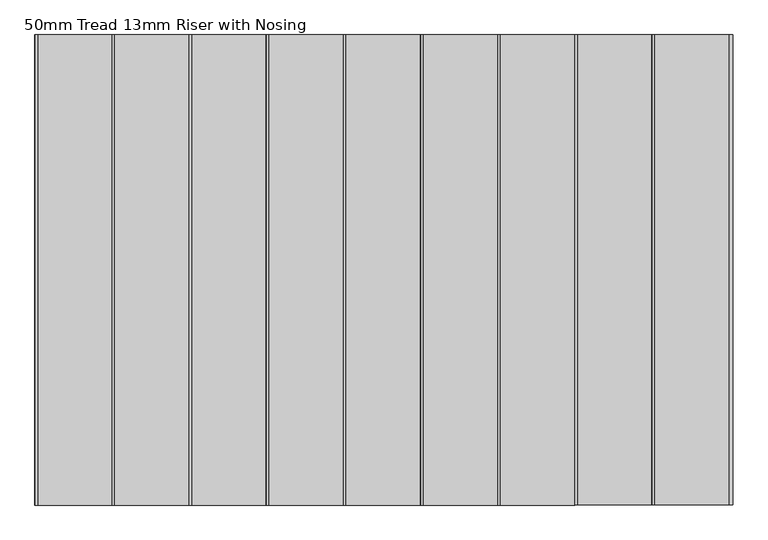
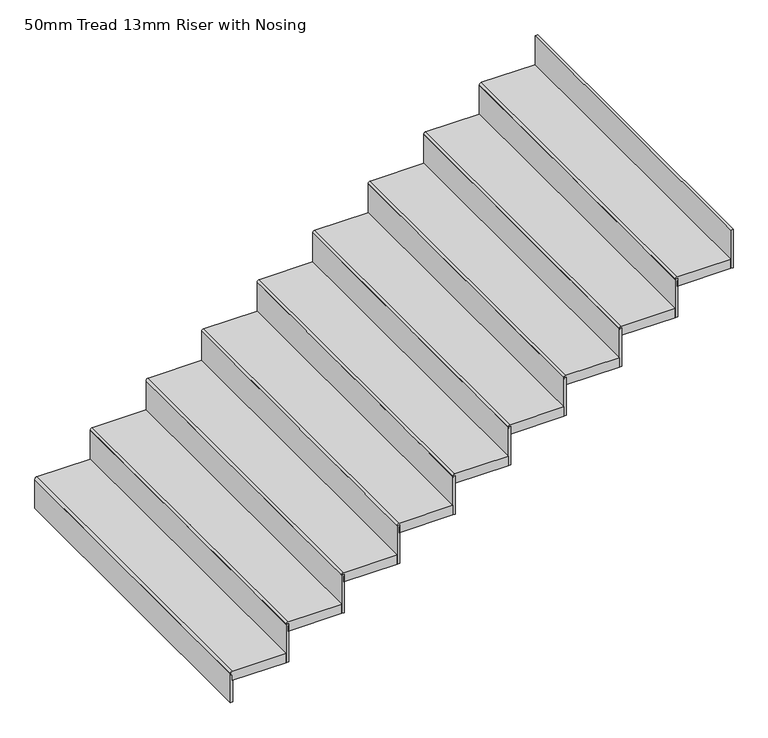
"""IFC4 building model written with IfcOpenShell, lengths in millimetres: stair flight geometry, 50mm Tread 13mm Riser with Nosing."""

from ifc_helpers import new_model, si_unit, point, frame, frame_2d, origin, place, context, project, spatial, polyline, circle_curve, trimmed, segment, composite_curve, outline, extrude, source, transform, mapped, element, save


def stair_flight_50mm_tread_13mm_riser_with_nosing_ea61a09e(model_context):
    return source(origin(), model_context, "Body", "SweptSolid", [
        extrude(outline(composite_curve([segment(polyline([(329.0909091, 12884.4796436), (329.0909091, 12614.4796436)]), True, "CONTINUOUS"), segment(trimmed(circle_curve(frame_2d((319.0909091, 12614.4796436)), 10.0), [point((329.0909091, 12614.4796436))], [point((309.0909091, 12614.4796436))], False, "CARTESIAN"), True, "CONTINUOUS"), segment(polyline([(309.0909091, 12614.4796436), (279.0909091, 12614.4796436), (279.0909091, 12884.4796436), (329.0909091, 12884.4796436)]), True, "CONTINUOUS")], self_intersect=False)), frame((0.0, -32838.364159, 0.0), z_axis=(0.0, 1.0, 0.0), x_axis=(0.0, 0.0, 1.0)), (0.0, 0.0, 1.0), 1706.8821309),
        extrude(outline(polyline([(12616.9796436, -32838.364159), (12604.4796436, -32838.364159), (12604.4796436, -31131.4820281), (12616.9796436, -31131.4820281), (12616.9796436, -32838.364159)])), frame((0.0, 0.0, 164.5454545), z_axis=(0.0, 0.0, 1.0), x_axis=(1.0, 0.0, 0.0)), (0.0, 0.0, 1.0), 154.5454545),
        extrude(outline(polyline([(12896.9796436, -32838.364159), (12884.4796436, -32838.364159), (12884.4796436, -31131.4820281), (12896.9796436, -31131.4820281), (12896.9796436, -32838.364159)])), frame((0.0, 0.0, 279.0909091), z_axis=(0.0, 0.0, 1.0), x_axis=(1.0, 0.0, 0.0)), (0.0, 0.0, 1.0), 204.5454545),
        extrude(outline(composite_curve([segment(polyline([(493.6363636, 13164.4796436), (493.6363636, 12894.4796436)]), True, "CONTINUOUS"), segment(trimmed(circle_curve(frame_2d((483.6363636, 12894.4796436)), 10.0), [point((493.6363636, 12894.4796436))], [point((473.6363636, 12894.4796436))], False, "CARTESIAN"), True, "CONTINUOUS"), segment(polyline([(473.6363636, 12894.4796436), (443.6363636, 12894.4796436), (443.6363636, 13164.4796436), (493.6363636, 13164.4796436)]), True, "CONTINUOUS")], self_intersect=False)), frame((0.0, -32838.364159, 0.0), z_axis=(0.0, 1.0, 0.0), x_axis=(0.0, 0.0, 1.0)), (0.0, 0.0, 1.0), 1706.8821309),
        extrude(outline(polyline([(13176.9796436, -32838.364159), (13164.4796436, -32838.364159), (13164.4796436, -31131.4820281), (13176.9796436, -31131.4820281), (13176.9796436, -32838.364159)])), frame((0.0, 0.0, 443.6363636), z_axis=(0.0, 0.0, 1.0), x_axis=(1.0, 0.0, 0.0)), (0.0, 0.0, 1.0), 204.5454545),
        extrude(outline(composite_curve([segment(polyline([(658.1818182, 13444.4796436), (658.1818182, 13174.4796436)]), True, "CONTINUOUS"), segment(trimmed(circle_curve(frame_2d((648.1818182, 13174.4796436)), 10.0), [point((658.1818182, 13174.4796436))], [point((638.1818182, 13174.4796436))], False, "CARTESIAN"), True, "CONTINUOUS"), segment(polyline([(638.1818182, 13174.4796436), (608.1818182, 13174.4796436), (608.1818182, 13444.4796436), (658.1818182, 13444.4796436)]), True, "CONTINUOUS")], self_intersect=False)), frame((0.0, -32838.364159, 0.0), z_axis=(0.0, 1.0, 0.0), x_axis=(0.0, 0.0, 1.0)), (0.0, 0.0, 1.0), 1706.8821309),
        extrude(outline(polyline([(13456.9796436, -32838.364159), (13444.4796436, -32838.364159), (13444.4796436, -31131.4820281), (13456.9796436, -31131.4820281), (13456.9796436, -32838.364159)])), frame((0.0, 0.0, 608.1818182), z_axis=(0.0, 0.0, 1.0), x_axis=(1.0, 0.0, 0.0)), (0.0, 0.0, 1.0), 204.5454545),
        extrude(outline(composite_curve([segment(polyline([(822.7272727, 13724.4796436), (822.7272727, 13454.4796436)]), True, "CONTINUOUS"), segment(trimmed(circle_curve(frame_2d((812.7272727, 13454.4796436)), 10.0), [point((822.7272727, 13454.4796436))], [point((802.7272727, 13454.4796436))], False, "CARTESIAN"), True, "CONTINUOUS"), segment(polyline([(802.7272727, 13454.4796436), (772.7272727, 13454.4796436), (772.7272727, 13724.4796436), (822.7272727, 13724.4796436)]), True, "CONTINUOUS")], self_intersect=False)), frame((0.0, -32838.364159, 0.0), z_axis=(0.0, 1.0, 0.0), x_axis=(0.0, 0.0, 1.0)), (0.0, 0.0, 1.0), 1706.8821309),
        extrude(outline(polyline([(13736.9796436, -32838.364159), (13724.4796436, -32838.364159), (13724.4796436, -31131.4820281), (13736.9796436, -31131.4820281), (13736.9796436, -32838.364159)])), frame((0.0, 0.0, 772.7272727), z_axis=(0.0, 0.0, 1.0), x_axis=(1.0, 0.0, 0.0)), (0.0, 0.0, 1.0), 204.5454545),
        extrude(outline(composite_curve([segment(polyline([(987.2727273, 14004.4796436), (987.2727273, 13734.4796436)]), True, "CONTINUOUS"), segment(trimmed(circle_curve(frame_2d((977.2727273, 13734.4796436)), 10.0), [point((987.2727273, 13734.4796436))], [point((967.2727273, 13734.4796436))], False, "CARTESIAN"), True, "CONTINUOUS"), segment(polyline([(967.2727273, 13734.4796436), (937.2727273, 13734.4796436), (937.2727273, 14004.4796436), (987.2727273, 14004.4796436)]), True, "CONTINUOUS")], self_intersect=False)), frame((0.0, -32838.364159, 0.0), z_axis=(0.0, 1.0, 0.0), x_axis=(0.0, 0.0, 1.0)), (0.0, 0.0, 1.0), 1706.8821309),
        extrude(outline(polyline([(14016.9796436, -32838.364159), (14004.4796436, -32838.364159), (14004.4796436, -31131.4820281), (14016.9796436, -31131.4820281), (14016.9796436, -32838.364159)])), frame((0.0, 0.0, 937.2727273), z_axis=(0.0, 0.0, 1.0), x_axis=(1.0, 0.0, 0.0)), (0.0, 0.0, 1.0), 204.5454545),
        extrude(outline(composite_curve([segment(polyline([(1151.8181818, 14284.4796436), (1151.8181818, 14014.4796436)]), True, "CONTINUOUS"), segment(trimmed(circle_curve(frame_2d((1141.8181818, 14014.4796436)), 10.0), [point((1151.8181818, 14014.4796436))], [point((1131.8181818, 14014.4796436))], False, "CARTESIAN"), True, "CONTINUOUS"), segment(polyline([(1131.8181818, 14014.4796436), (1101.8181818, 14014.4796436), (1101.8181818, 14284.4796436), (1151.8181818, 14284.4796436)]), True, "CONTINUOUS")], self_intersect=False)), frame((0.0, -32838.364159, 0.0), z_axis=(0.0, 1.0, 0.0), x_axis=(0.0, 0.0, 1.0)), (0.0, 0.0, 1.0), 1706.8821309),
        extrude(outline(polyline([(14296.9796436, -32838.364159), (14284.4796436, -32838.364159), (14284.4796436, -31131.4820281), (14296.9796436, -31131.4820281), (14296.9796436, -32838.364159)])), frame((0.0, 0.0, 1101.8181818), z_axis=(0.0, 0.0, 1.0), x_axis=(1.0, 0.0, 0.0)), (0.0, 0.0, 1.0), 204.5454545),
        extrude(outline(composite_curve([segment(polyline([(1316.3636364, 14564.4796436), (1316.3636364, 14294.4796436)]), True, "CONTINUOUS"), segment(trimmed(circle_curve(frame_2d((1306.3636364, 14294.4796436)), 10.0), [point((1316.3636364, 14294.4796436))], [point((1296.3636364, 14294.4796436))], False, "CARTESIAN"), True, "CONTINUOUS"), segment(polyline([(1296.3636364, 14294.4796436), (1266.3636364, 14294.4796436), (1266.3636364, 14564.4796436), (1316.3636364, 14564.4796436)]), True, "CONTINUOUS")], self_intersect=False)), frame((0.0, -32838.364159, 0.0), z_axis=(0.0, 1.0, 0.0), x_axis=(0.0, 0.0, 1.0)), (0.0, 0.0, 1.0), 1706.8821309),
        extrude(outline(polyline([(14576.9796436, -32838.364159), (14564.4796436, -32838.364159), (14564.4796436, -31131.4820281), (14576.9796436, -31131.4820281), (14576.9796436, -32838.364159)])), frame((0.0, 0.0, 1266.3636364), z_axis=(0.0, 0.0, 1.0), x_axis=(1.0, 0.0, 0.0)), (0.0, 0.0, 1.0), 204.5454545),
        extrude(outline(composite_curve([segment(polyline([(1480.9090909, 14844.4796436), (1480.9090909, 14574.4796436)]), True, "CONTINUOUS"), segment(trimmed(circle_curve(frame_2d((1470.9090909, 14574.4796436)), 10.0), [point((1480.9090909, 14574.4796436))], [point((1460.9090909, 14574.4796436))], False, "CARTESIAN"), True, "CONTINUOUS"), segment(polyline([(1460.9090909, 14574.4796436), (1430.9090909, 14574.4796436), (1430.9090909, 14844.4796436), (1480.9090909, 14844.4796436)]), True, "CONTINUOUS")], self_intersect=False)), frame((0.0, -32838.364159, 0.0), z_axis=(0.0, 1.0, 0.0), x_axis=(0.0, 0.0, 1.0)), (0.0, 0.0, 1.0), 1706.8821309),
        extrude(outline(polyline([(14856.9796436, -32838.364159), (14844.4796436, -32838.364159), (14844.4796436, -31131.4820281), (14856.9796436, -31131.4820281), (14856.9796436, -32838.364159)])), frame((0.0, 0.0, 1430.9090909), z_axis=(0.0, 0.0, 1.0), x_axis=(1.0, 0.0, 0.0)), (0.0, 0.0, 1.0), 204.5454545),
        extrude(outline(composite_curve([segment(polyline([(1645.4545455, 15124.4796436), (1645.4545455, 14854.4796436)]), True, "CONTINUOUS"), segment(trimmed(circle_curve(frame_2d((1635.4545455, 14854.4796436)), 10.0), [point((1645.4545455, 14854.4796436))], [point((1625.4545455, 14854.4796436))], False, "CARTESIAN"), True, "CONTINUOUS"), segment(polyline([(1625.4545455, 14854.4796436), (1595.4545455, 14854.4796436), (1595.4545455, 15124.4796436), (1645.4545455, 15124.4796436)]), True, "CONTINUOUS")], self_intersect=False)), frame((0.0, -32838.364159, 0.0), z_axis=(0.0, 1.0, 0.0), x_axis=(0.0, 0.0, 1.0)), (0.0, 0.0, 1.0), 1706.8821309),
        extrude(outline(polyline([(15136.9796436, -32838.364159), (15124.4796436, -32838.364159), (15124.4796436, -31131.4820281), (15136.9796436, -31131.4820281), (15136.9796436, -32838.364159)])), frame((0.0, 0.0, 1595.4545455), z_axis=(0.0, 0.0, 1.0), x_axis=(1.0, 0.0, 0.0)), (0.0, 0.0, 1.0), 204.5454545),
    ])


if __name__ == "__main__":
    model = new_model("IFC4")
    model_context = context("Model", 3, world=origin())
    ifc_project = project(units=[si_unit("LENGTHUNIT", "METRE", prefix="MILLI")], contexts=[model_context])
    site = spatial("IfcSite", under=ifc_project)
    building = spatial("IfcBuilding", under=site)
    placement = place(None, origin())
    stair_flight_50mm_tread_13mm_riser_with_nosing_shape = stair_flight_50mm_tread_13mm_riser_with_nosing_ea61a09e(model_context)
    element("IfcStairFlight", 1, ObjectType="50mm Tread 13mm Riser with Nosing", at=placement, inside=building, context=model_context, shape_type="MappedRepresentation", body=[
        mapped(stair_flight_50mm_tread_13mm_riser_with_nosing_shape, transform((0.0, 0.0, 0.0), x_axis=(1.0, 0.0, 0.0), y_axis=(0.0, 1.0, 0.0), z_axis=(0.0, 0.0, 1.0))),
    ])
    save(model, "model.ifc")
